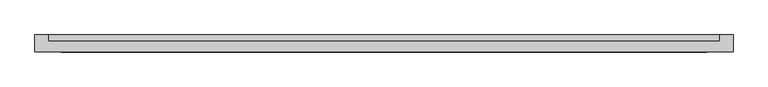
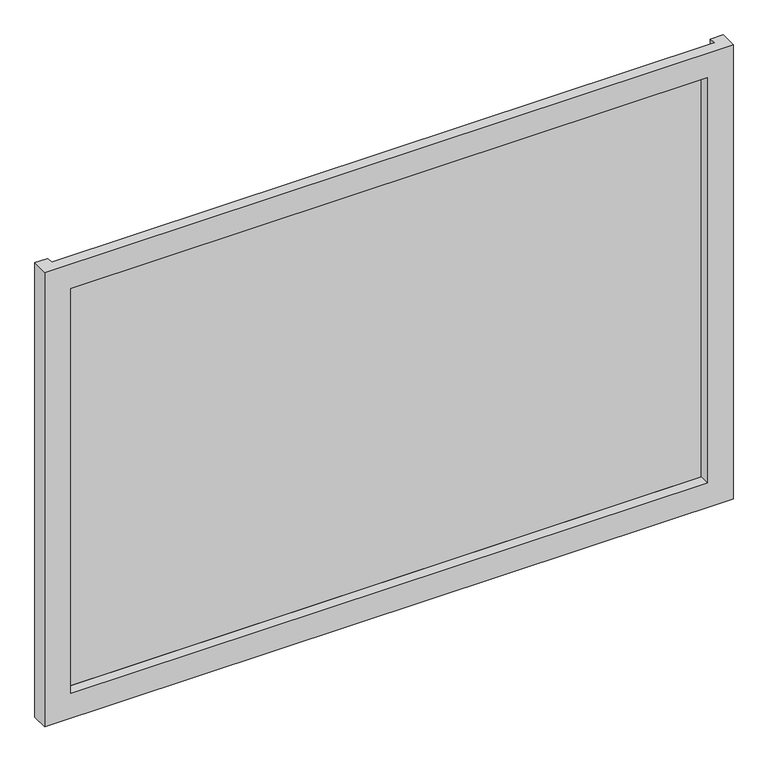
"""IFC4 building model written with IfcOpenShell, lengths in millimetres: plate geometry."""

import ifcopenshell
import ifcopenshell.guid

model = None  # the IFC model being written
_history = None  # IfcOwnerHistory: only IFC2X3 demands one
_inside = {}  # id of a spatial element -> (the spatial element, [elements in it])
_under = {}  # id of a project, library or spatial element -> (it, [spatial elements below it])
_declared = {}  # id of a project -> (the project, [libraries it declares])
_typed = {}  # id of a type object -> (the type object, [elements of that type])
_made_of = {}  # id of a material, layer set ... -> (it, [elements and type objects made of it])


def new_model(schema):
    """Start an empty IFC model of exactly this schema.

    Asked for "IFC4X3", IfcOpenShell would pick the latest addendum, in which some entities
    have other attributes; the version numbers below select the first issue.
    IFC2X3 requires an IfcOwnerHistory on every rooted entity: one is made here for all.
    """
    global model, _history
    if schema == "IFC4X3":
        model = ifcopenshell.file(schema_version=(4, 3, 0, 0))
    else:
        model = ifcopenshell.file(schema=schema)
    _inside.clear()
    _under.clear()
    _declared.clear()
    _typed.clear()
    _made_of.clear()
    _history = None
    if model.schema == "IFC2X3":
        org = make("IfcOrganization", Name="unknown")
        user = make(
            "IfcPersonAndOrganization",
            ThePerson=make("IfcPerson", FamilyName="unknown"),
            TheOrganization=org,
        )
        app = make(
            "IfcApplication",
            ApplicationDeveloper=org,
            Version="unknown",
            ApplicationFullName="unknown",
            ApplicationIdentifier="unknown",
        )
        _history = make(
            "IfcOwnerHistory",
            OwningUser=user,
            OwningApplication=app,
            ChangeAction="ADDED",
            CreationDate=0,
        )
    return model


def make(cls, **values):
    """One entity of the class cls with the attributes given. An attribute that is None is left unset."""
    return model.create_entity(
        cls, **{name: value for name, value in values.items() if value is not None}
    )


def rooted(cls, **values):
    """An entity with a GlobalId (a new one), such as an element, a storey or a relation."""
    return make(cls, GlobalId=ifcopenshell.guid.new(), OwnerHistory=_history, **values)


def si_unit(unit_type, name, prefix=None):
    """IfcSIUnit, for example si_unit("LENGTHUNIT", "METRE", prefix="MILLI")."""
    return make("IfcSIUnit", UnitType=unit_type, Prefix=prefix, Name=name)


def assignment(units):
    """IfcUnitAssignment: the units of a project."""
    return None if units is None else make("IfcUnitAssignment", Units=units)


def point(xyz):
    """IfcCartesianPoint."""
    return None if xyz is None else make("IfcCartesianPoint", Coordinates=xyz)


def direction(xyz):
    """IfcDirection."""
    return None if xyz is None else make("IfcDirection", DirectionRatios=xyz)


def frame(location, z_axis=None, x_axis=None):
    """IfcAxis2Placement3D, a coordinate frame: its origin and axes. An axis left out is left unset."""
    return make(
        "IfcAxis2Placement3D",
        Location=point(location),
        Axis=direction(z_axis),
        RefDirection=direction(x_axis),
    )


def origin():
    """The frame at (0, 0, 0) with its axes left unset."""
    return frame((0.0, 0.0, 0.0))


def origin_with_axes():
    """The frame at (0, 0, 0) with the z axis (0, 0, 1) and the x axis (1, 0, 0) written out."""
    return frame((0.0, 0.0, 0.0), z_axis=(0.0, 0.0, 1.0), x_axis=(1.0, 0.0, 0.0))


def place(relative_to, where):
    """IfcLocalPlacement: puts the frame where relative to a parent placement (None: the world)."""
    return make(
        "IfcLocalPlacement", PlacementRelTo=relative_to, RelativePlacement=where
    )


def context(
    kind, dimensions, precision=None, world=None, true_north=None, identifier=None
):
    """IfcGeometricRepresentationContext, for example the 3D "Model" context."""
    return make(
        "IfcGeometricRepresentationContext",
        ContextIdentifier=identifier,
        ContextType=kind,
        CoordinateSpaceDimension=dimensions,
        Precision=precision,
        WorldCoordinateSystem=world,
        TrueNorth=true_north,
    )


def project(units=None, contexts=None):
    """IfcProject with its units and contexts."""
    return rooted(
        "IfcProject",
        Name="project",
        RepresentationContexts=contexts,
        UnitsInContext=assignment(units),
    )


def spatial(cls, under=None, at=None, **own):
    """A site, building, storey or space (cls), placed at a placement, below another one or the project."""
    s = rooted(cls, ObjectPlacement=at, **own)
    if under is not None:
        _under.setdefault(under.id(), (under, []))[1].append(s)
    return s


def polyline(points):
    """IfcPolyline through the points."""
    return make("IfcPolyline", Points=[point(p) for p in points])


def outline(outer, holes=None, kind="AREA"):
    """IfcArbitraryClosedProfileDef: a profile drawn as a closed curve; with holes, ...WithVoids."""
    if holes is None:
        return make("IfcArbitraryClosedProfileDef", ProfileType=kind, OuterCurve=outer)
    return make(
        "IfcArbitraryProfileDefWithVoids",
        ProfileType=kind,
        OuterCurve=outer,
        InnerCurves=holes,
    )


def extrude(swept, where, along, depth):
    """IfcExtrudedAreaSolid: the profile swept, set in the frame where, extruded along a direction by depth."""
    return make(
        "IfcExtrudedAreaSolid",
        SweptArea=swept,
        Position=where,
        ExtrudedDirection=direction(along),
        Depth=depth,
    )


def faces_of(points, faces, orient=None, outer=None):
    """IfcFace entities. A face is a list of loops; a loop is a list of indices into points, from 0.

    orient and outer hold one flag for each loop. By default every Orientation is true, the
    first loop of a face is its IfcFaceOuterBound and the others are IfcFaceBound.
    """
    made = []
    for i, loops in enumerate(faces):
        bounds = []
        for j, loop in enumerate(loops):
            is_outer = j == 0 if outer is None else outer[i][j]
            bounds.append(
                make(
                    "IfcFaceOuterBound" if is_outer else "IfcFaceBound",
                    Bound=make("IfcPolyLoop", Polygon=[points[k] for k in loop]),
                    Orientation=True if orient is None else orient[i][j],
                )
            )
        made.append(make("IfcFace", Bounds=bounds))
    return made


def faceted_brep(points, faces, orient=None, outer=None, voids=None):
    """IfcFacetedBrep: a solid bounded by flat faces; with voids (closed shells), ...WithVoids."""
    shared = [point(p) for p in points]
    hull = make("IfcClosedShell", CfsFaces=faces_of(shared, faces, orient, outer))
    if voids is None:
        return make("IfcFacetedBrep", Outer=hull)
    return make(
        "IfcFacetedBrepWithVoids",
        Outer=hull,
        Voids=[
            make(cls, CfsFaces=faces_of(shared, fs, o, b)) for cls, fs, o, b in voids
        ],
    )


def shape(context_of_items, identifier, shape_type, items):
    """IfcShapeRepresentation: the items that make up one representation, for example the "Body"."""
    return make(
        "IfcShapeRepresentation",
        ContextOfItems=context_of_items,
        RepresentationIdentifier=identifier,
        RepresentationType=shape_type,
        Items=items,
    )


def source(mapping_origin, context_of_items, identifier, shape_type, items):
    """IfcRepresentationMap: a shape defined once, which mapped items show again and again."""
    return make(
        "IfcRepresentationMap",
        MappingOrigin=mapping_origin,
        MappedRepresentation=shape(context_of_items, identifier, shape_type, items),
    )


def transform(
    local_origin,
    x_axis=None,
    y_axis=None,
    z_axis=None,
    scale=None,
    scale2=None,
    scale3=None,
    uniform=True,
):
    """IfcCartesianTransformationOperator3D, or its non-uniform kind. x_axis, y_axis, z_axis: its Axis1, 2, 3."""
    if uniform:
        return make(
            "IfcCartesianTransformationOperator3D",
            Axis1=direction(x_axis),
            Axis2=direction(y_axis),
            LocalOrigin=point(local_origin),
            Scale=scale,
            Axis3=direction(z_axis),
        )
    return make(
        "IfcCartesianTransformationOperator3DnonUniform",
        Axis1=direction(x_axis),
        Axis2=direction(y_axis),
        LocalOrigin=point(local_origin),
        Scale=scale,
        Axis3=direction(z_axis),
        Scale2=scale2,
        Scale3=scale3,
    )


def mapped(mapping_source, mapping_target):
    """IfcMappedItem: shows the shape of a source again, moved by a transform."""
    return make(
        "IfcMappedItem", MappingSource=mapping_source, MappingTarget=mapping_target
    )


def made_of(thing, what):
    """Note that an element or type object is made of a material, layer set ...; save() writes the relation."""
    if what is not None:
        _made_of.setdefault(what.id(), (what, []))[1].append(thing)
    return thing


def element(
    cls,
    number,
    at=None,
    inside=None,
    cuts=None,
    type_object=None,
    material=None,
    context=None,
    identifier="Body",
    shape_type=None,
    held_by="IfcProductDefinitionShape",
    body=None,
    shapes=None,
    **own,
):
    """One element of the class cls, such as IfcWall. Its Tag is "e" and its number.

    at: its placement. inside: the storey or other place that contains it. cuts: it is an
    opening in that element (IfcRelVoidsElement). A single representation is given by context,
    identifier, shape_type and body (its items); several are given by shapes. held_by: the class
    of the entity that holds the representations. save() writes the other relations.
    """
    e = rooted(cls, Tag="e%d" % number, ObjectPlacement=at, **own)
    if body is not None:
        shapes = [shape(context, identifier, shape_type, body)]
    if shapes is not None:
        e.Representation = make(held_by, Representations=shapes)
    if inside is not None:
        _inside.setdefault(inside.id(), (inside, []))[1].append(e)
    if cuts is not None:
        rooted(
            "IfcRelVoidsElement", RelatingBuildingElement=cuts, RelatedOpeningElement=e
        )
    if type_object is not None:
        _typed.setdefault(type_object.id(), (type_object, []))[1].append(e)
    return made_of(e, material)


def aggregate(whole, parts):
    """IfcRelAggregates: a whole, such as a stair, and the parts it consists of."""
    return rooted("IfcRelAggregates", RelatingObject=whole, RelatedObjects=parts)


def save(model, path):
    """Write the relations noted so far, then the file.

    IfcRelAggregates (storeys below a building ...), IfcRelContainedInSpatialStructure (elements
    in a storey), IfcRelDefinesByType, IfcRelAssociatesMaterial and IfcRelDeclares: one each for
    every whole, place, type object, material and project.
    """
    for whole, parts in _under.values():
        aggregate(whole, parts)
    for where, things in _inside.values():
        rooted(
            "IfcRelContainedInSpatialStructure",
            RelatedElements=things,
            RelatingStructure=where,
        )
    for kind, things in _typed.values():
        rooted("IfcRelDefinesByType", RelatedObjects=things, RelatingType=kind)
    for what, things in _made_of.values():
        rooted("IfcRelAssociatesMaterial", RelatedObjects=things, RelatingMaterial=what)
    for by, libraries in _declared.values():
        rooted("IfcRelDeclares", RelatingContext=by, RelatedDefinitions=libraries)
    model.write(path)


def plate_6a04e12c(model_context):
    return source(origin(), model_context, "Body", "SolidModel", [
        faceted_brep([(662.5, -50.9, -50.0), (662.5, -83.3, -50.0), (-662.5, -83.3, -50.0), (-662.5, -50.9, -50.0), (-637.5, -50.9, -50.0), (-637.5, -63.3, -50.0), (637.5, -63.3, -50.0), (637.5, -50.9, -50.0), (612.5, -83.3, 0.0), (612.5, -63.3, 0.0), (-612.5, -63.3, 0.0), (-612.5, -83.3, 0.0), (662.5, -83.3, 875.0), (-662.5, -83.3, 875.0), (-612.5, -83.3, 825.0), (612.5, -83.3, 825.0), (-637.5, -63.3, 875.0), (637.5, -63.3, 875.0), (612.5, -63.3, 825.0), (-612.5, -63.3, 825.0), (662.5, -50.9, 875.0), (637.5, -50.9, 875.0), (-637.5, -50.9, 875.0), (-662.5, -50.9, 875.0)], [[[0, 1, 2, 3, 4, 5, 6, 7]], [[8, 9, 10, 11]], [[12, 13, 2, 1], [11, 14, 15, 8]], [[16, 17, 6, 5], [9, 18, 19, 10]], [[20, 21, 17, 16, 22, 23, 13, 12]], [[20, 0, 7, 21]], [[21, 7, 6, 17]], [[8, 15, 18, 9]], [[12, 1, 0, 20]], [[22, 4, 3, 23]], [[16, 5, 4, 22]], [[10, 19, 14, 11]], [[23, 3, 2, 13]], [[18, 15, 14, 19]]]),
        extrude(outline(polyline([(637.5, -50.9), (637.5, -63.3), (-637.5, -63.3), (-637.5, -50.9), (637.5, -50.9)])), origin_with_axes(), (0.0, 0.0, 1.0), 825.0),
    ])


if __name__ == "__main__":
    model = new_model("IFC4")
    model_context = context("Model", 3, world=origin())
    ifc_project = project(units=[si_unit("LENGTHUNIT", "METRE", prefix="MILLI")], contexts=[model_context])
    site = spatial("IfcSite", under=ifc_project)
    building = spatial("IfcBuilding", under=site)
    placement = place(None, origin())
    plate_shape = plate_6a04e12c(model_context)
    element("IfcPlate", 1, at=placement, inside=building, context=model_context, shape_type="MappedRepresentation", body=[
        mapped(plate_shape, transform((0.0, 0.0, 0.0), x_axis=(1.0, 0.0, 0.0), y_axis=(0.0, 1.0, 0.0), z_axis=(0.0, 0.0, 1.0))),
    ])
    save(model, "model.ifc")
